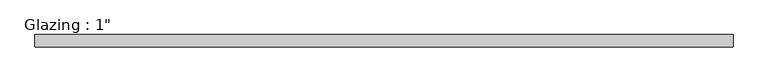
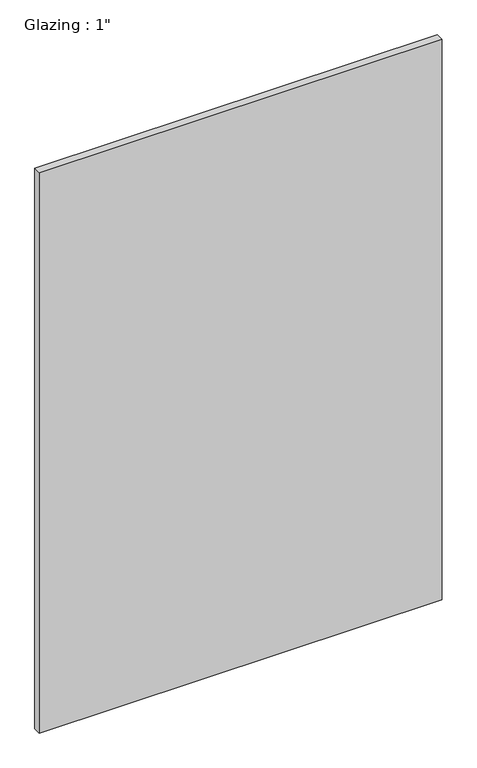
"""IFC4 building model written with IfcOpenShell, lengths in millimetres: plate geometry."""

from ifc_helpers import new_model, si_unit, origin, origin_with_axes, place, context, project, spatial, polyline, outline, extrude, source, transform, mapped, element, save


def plate_39d95b08(model_context):
    return source(origin(), model_context, "Body", "SweptSolid", [
        extrude(outline(polyline([(712.2881578, -12.7), (-712.2881578, -12.7), (-712.2881578, 12.7), (712.2881578, 12.7), (712.2881578, -12.7)])), origin_with_axes(), (0.0, 0.0, 1.0), 2094.5430277),
    ])


if __name__ == "__main__":
    model = new_model("IFC4")
    model_context = context("Model", 3, world=origin())
    ifc_project = project(units=[si_unit("LENGTHUNIT", "METRE", prefix="MILLI")], contexts=[model_context])
    site = spatial("IfcSite", under=ifc_project)
    building = spatial("IfcBuilding", under=site)
    placement = place(None, origin())
    plate_shape = plate_39d95b08(model_context)
    element("IfcPlate", 1, ObjectType="Glazing : 1\"", at=placement, inside=building, context=model_context, shape_type="MappedRepresentation", body=[
        mapped(plate_shape, transform((0.0, 0.0, 0.0), x_axis=(1.0, 0.0, 0.0), y_axis=(0.0, 1.0, 0.0), z_axis=(0.0, 0.0, 1.0))),
    ])
    save(model, "model.ifc")
